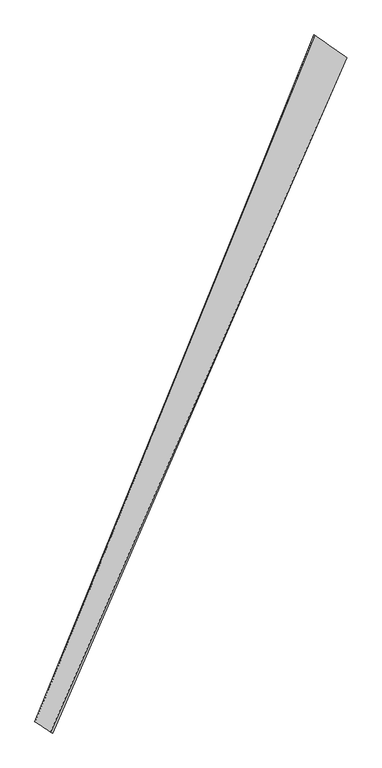
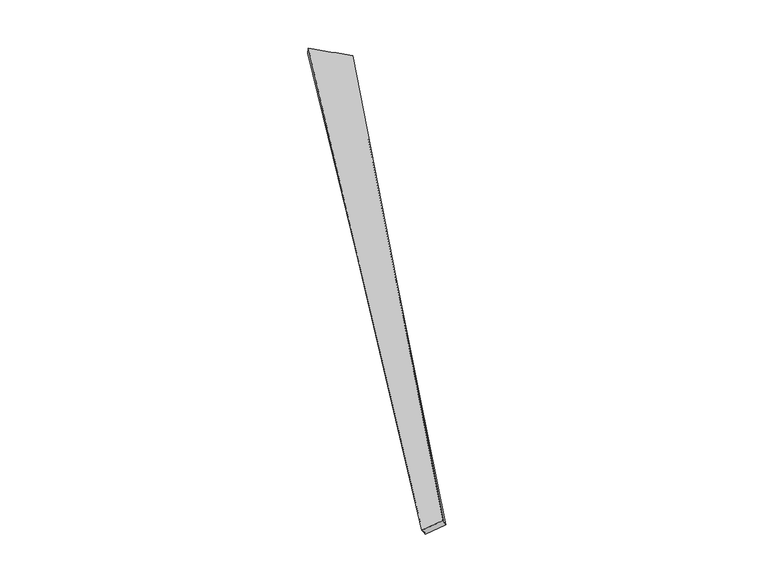
"""IFC4 building model written with IfcOpenShell, lengths in millimetres: proxy geometry."""

from ifc_helpers import new_model, si_unit, origin, place, context, project, spatial, source, transform, mapped, element, save
from ifc_brep_helpers import spline_surface, advanced_brep


def generic_models_3806296a(model_context):
    return source(origin(), model_context, "Body", "AdvancedBrep", [
        advanced_brep(
        [(-678.904516, -1719.8914406, 32.3214819), (-666.9725061, -1725.488112, 5.3714465), (957.9295234, 2009.8469375, -45.3762124), (961.6268742, 2008.6026652, -15.6309375), (-748.5606509, -1668.2856381, -55.8373304), (778.8465399, 2134.9348478, -13.9930265), (-765.8922313, -1661.5070438, -32.3072013), (783.1698732, 2132.7958193, 15.6166568)],
        [
            (0, 1),
            (1, 2),
            (2, 3),
            (3, 0),
            (1, 4),
            (4, 5),
            (5, 2),
            (4, 6),
            (6, 7),
            (7, 5),
            (6, 0),
            (3, 7),
        ],
        [
            spline_surface(1, 1, [[(-678.904516, -1719.8914406, 32.3214819), (961.6268742, 2008.6026652, -15.6309375)], [(-666.9725061, -1725.488112, 5.3714465), (957.9295234, 2009.8469375, -45.3762124)]], [2, 2], [2, 2], [0.0, 1.0], [0.0, 1.0]),
            spline_surface(1, 1, [[(-666.9725061, -1725.488112, 5.3714465), (957.9295234, 2009.8469375, -45.3762124)], [(-748.5606509, -1668.2856381, -55.8373304), (778.8465399, 2134.9348478, -13.9930265)]], [2, 2], [2, 2], [0.0, 1.0], [0.0, 1.0]),
            spline_surface(1, 1, [[(-748.5606509, -1668.2856381, -55.8373304), (778.8465399, 2134.9348478, -13.9930265)], [(-765.8922313, -1661.5070438, -32.3072013), (783.1698732, 2132.7958193, 15.6166568)]], [2, 2], [2, 2], [0.0, 1.0], [0.0, 1.0]),
            spline_surface(1, 1, [[(-765.8922313, -1661.5070438, -32.3072013), (783.1698732, 2132.7958193, 15.6166568)], [(-678.904516, -1719.8914406, 32.3214819), (961.6268742, 2008.6026652, -15.6309375)]], [2, 2], [2, 2], [0.0, 1.0], [0.0, 1.0]),
            spline_surface(1, 1, [[(957.9295234, 2009.8469375, -45.3762124), (961.6268742, 2008.6026652, -15.6309375)], [(778.8465399, 2134.9348478, -13.9930265), (783.1698732, 2132.7958193, 15.6166568)]], [2, 2], [2, 2], [0.0, 1.0], [0.0, 1.0]),
            spline_surface(1, 1, [[(-765.8922313, -1661.5070438, -32.3072013), (-678.904516, -1719.8914406, 32.3214819)], [(-748.5606509, -1668.2856381, -55.8373304), (-666.9725061, -1725.488112, 5.3714465)]], [2, 2], [2, 2], [0.0, 1.0], [0.0, 1.0]),
        ],
        [
            (0, [[1, 2, 3, 4]]),
            (1, [[5, 6, 7, -2]]),
            (2, [[8, 9, 10, -6]]),
            (3, [[11, -4, 12, -9]]),
            (4, [[-3, -7, -10, -12]]),
            (5, [[-11, -8, -5, -1]]),
        ],
    ),
    ])


if __name__ == "__main__":
    model = new_model("IFC4")
    model_context = context("Model", 3, world=origin())
    ifc_project = project(units=[si_unit("LENGTHUNIT", "METRE", prefix="MILLI")], contexts=[model_context])
    site = spatial("IfcSite", under=ifc_project)
    building = spatial("IfcBuilding", under=site)
    placement = place(None, origin())
    generic_models_shape = generic_models_3806296a(model_context)
    element("IfcBuildingElementProxy", 1, Name="Generic Models", at=placement, inside=building, context=model_context, shape_type="MappedRepresentation", body=[
        mapped(generic_models_shape, transform((0.0, 0.0, 0.0), x_axis=(1.0, 0.0, 0.0), y_axis=(0.0, 1.0, 0.0), z_axis=(0.0, 0.0, 1.0))),
    ])
    save(model, "model.ifc")
